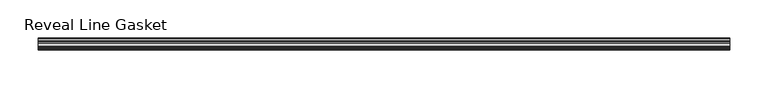
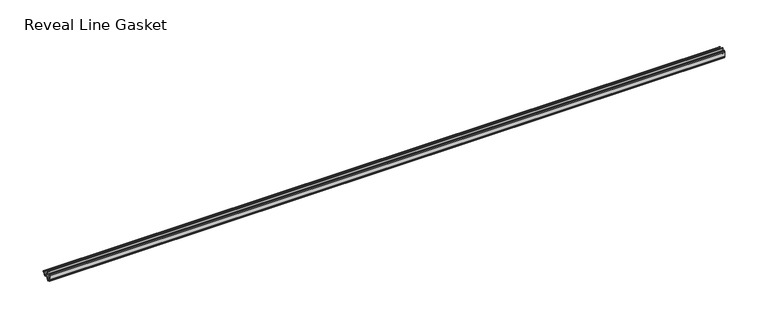
"""IFC4 building model written with IfcOpenShell, lengths in millimetres: furniture geometry, Reveal Line Gasket."""

from ifc_helpers import new_model, si_unit, point, frame, frame_2d, origin, place, context, project, spatial, polyline, circle_curve, trimmed, segment, composite_curve, outline, extrude, source, transform, mapped, element, save


def reveal_line_gasket_fbd7e573(model_context):
    return source(origin(), model_context, "Body", "SweptSolid", [
        extrude(outline(composite_curve([segment(polyline([(-7.6326998, 1603.2), (-7.4091917, 1604.1554927), (-6.8813059, 1605.0884684)]), True, "CONTINUOUS"), segment(trimmed(circle_curve(frame_2d((-6.5243141, 1604.8864793)), 0.4101739), [point((-6.8813059, 1605.0884684))], [point((-6.1246704, 1604.7941347))], False, "CARTESIAN"), True, "CONTINUOUS"), segment(polyline([(-6.1246704, 1604.7941347), (-6.3626997, 1603.0979086), (-6.3626997, 1601.0654527)]), True, "CONTINUOUS"), segment(trimmed(circle_curve(frame_2d((-5.6959605, 1601.4819258)), 0.786124), [point((-6.3626997, 1601.0654527))], [point((-5.0926996, 1600.977875))], True, "CARTESIAN"), True, "CONTINUOUS"), segment(polyline([(-5.0926996, 1600.977875), (-0.7492996, 1600.977875), (-3.7293824, 1606.1395295)]), True, "CONTINUOUS"), segment(trimmed(circle_curve(frame_2d((-3.3132479, 1606.2049761)), 0.4212495), [point((-3.7293824, 1606.1395295))], [point((-3.0485022, 1606.5326358))], False, "CARTESIAN"), True, "CONTINUOUS"), segment(polyline([(-3.0485022, 1606.5326358), (0.5742594, 1600.977875), (4.8262978, 1600.977875), (3.1660374, 1603.8535297)]), True, "CONTINUOUS"), segment(trimmed(circle_curve(frame_2d((3.5978728, 1603.9118855)), 0.4357605), [point((3.1660374, 1603.8535297))], [point((3.864328, 1604.2566881))], False, "CARTESIAN"), True, "CONTINUOUS"), segment(polyline([(3.864328, 1604.2566881), (6.1944059, 1600.977875), (7.6326998, 1600.977875), (7.6326998, 1599.422125), (6.1944059, 1599.422125), (3.864328, 1596.1433119)]), True, "CONTINUOUS"), segment(trimmed(circle_curve(frame_2d((3.5978728, 1596.4881145)), 0.4357605), [point((3.864328, 1596.1433119))], [point((3.1660374, 1596.5464703))], False, "CARTESIAN"), True, "CONTINUOUS"), segment(polyline([(3.1660374, 1596.5464703), (4.8262978, 1599.422125), (0.5742594, 1599.422125), (-3.0485022, 1593.8673642)]), True, "CONTINUOUS"), segment(trimmed(circle_curve(frame_2d((-3.3132479, 1594.1950239)), 0.4212495), [point((-3.0485022, 1593.8673642))], [point((-3.7293824, 1594.2604705))], False, "CARTESIAN"), True, "CONTINUOUS"), segment(polyline([(-3.7293824, 1594.2604705), (-0.7492996, 1599.422125), (-5.0926996, 1599.422125)]), True, "CONTINUOUS"), segment(trimmed(circle_curve(frame_2d((-5.6959605, 1598.9180742)), 0.786124), [point((-5.0926996, 1599.422125))], [point((-6.3626997, 1599.3345473))], True, "CARTESIAN"), True, "CONTINUOUS"), segment(polyline([(-6.3626997, 1599.3345473), (-6.3626997, 1597.3020914), (-6.1246704, 1595.6058653)]), True, "CONTINUOUS"), segment(trimmed(circle_curve(frame_2d((-6.5243141, 1595.5135207)), 0.4101739), [point((-6.1246704, 1595.6058653))], [point((-6.8813059, 1595.3115316))], False, "CARTESIAN"), True, "CONTINUOUS"), segment(polyline([(-6.8813059, 1595.3115316), (-7.4091917, 1596.2445073), (-7.6326998, 1597.2), (-7.6326998, 1603.2)]), True, "CONTINUOUS")], self_intersect=False)), frame((-450.5079114, 0.0, 0.0), z_axis=(1.0, 0.0, 0.0), x_axis=(0.0, 1.0, 0.0)), (0.0, 0.0, 1.0), 901.0158229),
    ])


if __name__ == "__main__":
    model = new_model("IFC4")
    model_context = context("Model", 3, world=origin())
    ifc_project = project(units=[si_unit("LENGTHUNIT", "METRE", prefix="MILLI")], contexts=[model_context])
    site = spatial("IfcSite", under=ifc_project)
    building = spatial("IfcBuilding", under=site)
    placement = place(None, origin())
    reveal_line_gasket_shape = reveal_line_gasket_fbd7e573(model_context)
    element("IfcFurniture", 1, ObjectType="Reveal Line Gasket", at=placement, inside=building, context=model_context, shape_type="MappedRepresentation", body=[
        mapped(reveal_line_gasket_shape, transform((0.0, 0.0, 0.0), x_axis=(1.0, 0.0, 0.0), y_axis=(0.0, 1.0, 0.0), z_axis=(0.0, 0.0, 1.0))),
    ])
    save(model, "model.ifc")
